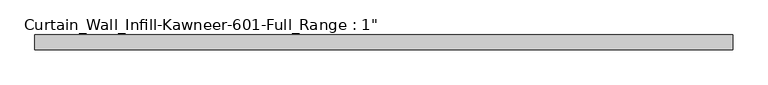
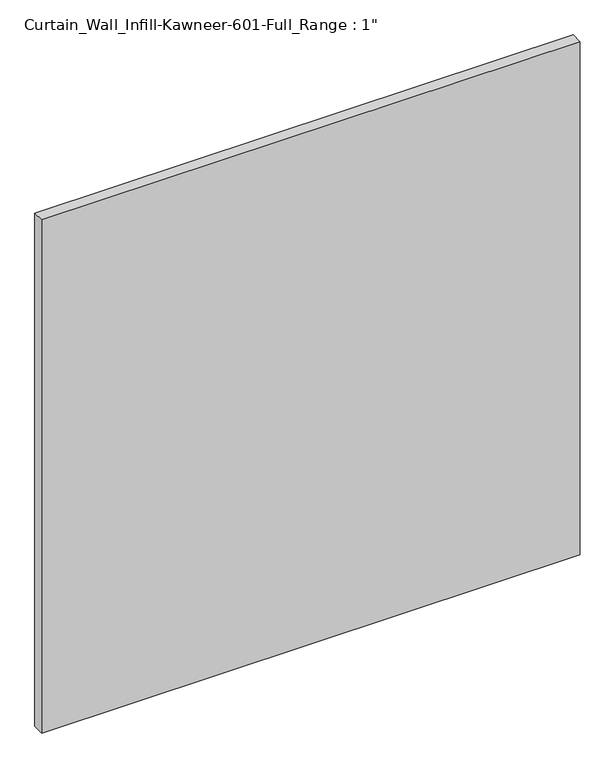
"""IFC4 building model written with IfcOpenShell, lengths in millimetres: plate geometry."""

from ifc_helpers import new_model, si_unit, origin, origin_with_axes, place, context, project, spatial, polyline, outline, extrude, source, transform, mapped, element, save


def plate_29c9e0c0(model_context):
    return source(origin(), model_context, "Body", "SweptSolid", [
        extrude(outline(polyline([(-589.4916667, 12.7), (589.4916667, 12.7), (589.4916667, -12.7), (-589.4916667, -12.7), (-589.4916667, 12.7)])), origin_with_axes(), (0.0, 0.0, 1.0), 1187.45),
    ])


if __name__ == "__main__":
    model = new_model("IFC4")
    model_context = context("Model", 3, world=origin())
    ifc_project = project(units=[si_unit("LENGTHUNIT", "METRE", prefix="MILLI")], contexts=[model_context])
    site = spatial("IfcSite", under=ifc_project)
    building = spatial("IfcBuilding", under=site)
    placement = place(None, origin())
    plate_shape = plate_29c9e0c0(model_context)
    element("IfcPlate", 1, ObjectType="Curtain_Wall_Infill-Kawneer-601-Full_Range : 1\"", at=placement, inside=building, context=model_context, shape_type="MappedRepresentation", body=[
        mapped(plate_shape, transform((0.0, 0.0, 0.0), x_axis=(1.0, 0.0, 0.0), y_axis=(0.0, 1.0, 0.0), z_axis=(0.0, 0.0, 1.0))),
    ])
    save(model, "model.ifc")
